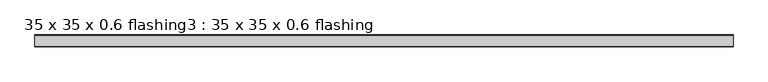
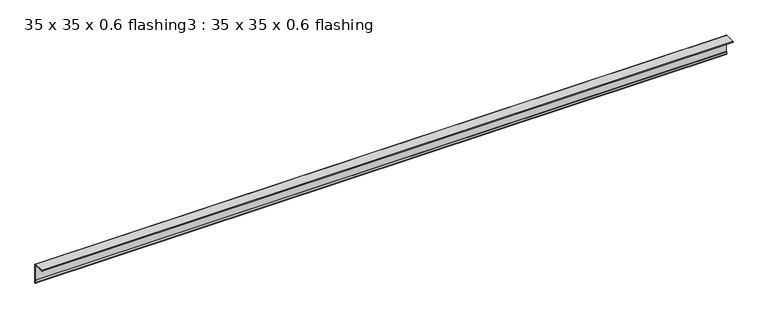
"""IFC4 building model written with IfcOpenShell, lengths in millimetres: proxy geometry, 35 x 35 x 0.6 flashing3 : 35 x 35 x 0.6 flashing."""

from ifc_helpers import new_model, si_unit, point, frame, frame_2d, origin, place, context, project, spatial, polyline, circle_curve, trimmed, segment, composite_curve, outline, extrude, source, transform, mapped, element, save


def proxy_35_x_35_x_0_6_flashing3_35_x_35_x_0_6_flashing_56d9e6fd(model_context):
    return source(origin(), model_context, "Body", "SweptSolid", [
        extrude(outline(composite_curve([segment(polyline([(919.6461443, 1503.3887038), (957.1461443, 1503.3887038)]), True, "CONTINUOUS"), segment(trimmed(circle_curve(frame_2d((957.1461443, 1500.8887038)), 2.5), [point((957.1461443, 1503.3887038))], [point((959.6461443, 1500.8887038))], False, "CARTESIAN"), True, "CONTINUOUS"), segment(polyline([(959.6461443, 1500.8887038), (959.6461443, 1434.3560264)]), True, "CONTINUOUS"), segment(trimmed(circle_curve(frame_2d((958.6461443, 1434.3560264)), 1.0), [point((959.6461443, 1434.3560264))], [point((957.6461443, 1434.3560264))], False, "CARTESIAN"), True, "CONTINUOUS"), segment(polyline([(957.6461443, 1434.3560264), (957.6461443, 1443.3887038), (958.6461443, 1443.3887038), (958.6461443, 1500.8887038)]), True, "CONTINUOUS"), segment(trimmed(circle_curve(frame_2d((957.1461443, 1500.8887038)), 1.5), [point((958.6461443, 1500.8887038))], [point((957.1461443, 1502.3887038))], True, "CARTESIAN"), True, "CONTINUOUS"), segment(polyline([(957.1461443, 1502.3887038), (928.6479284, 1502.3887038), (928.6479284, 1501.3887038), (919.6461443, 1501.3887038)]), True, "CONTINUOUS"), segment(trimmed(circle_curve(frame_2d((919.6461443, 1502.3887038)), 1.0), [point((919.6461443, 1501.3887038))], [point((919.6461443, 1503.3887038))], False, "CARTESIAN"), True, "CONTINUOUS")], self_intersect=False)), frame((-7919.6640929, 0.0, 0.0), z_axis=(1.0, 0.0, 0.0), x_axis=(0.0, 1.0, 0.0)), (0.0, 0.0, 1.0), 2410.6438934),
    ])


if __name__ == "__main__":
    model = new_model("IFC4")
    model_context = context("Model", 3, world=origin())
    ifc_project = project(units=[si_unit("LENGTHUNIT", "METRE", prefix="MILLI")], contexts=[model_context])
    site = spatial("IfcSite", under=ifc_project)
    building = spatial("IfcBuilding", under=site)
    placement = place(None, origin())
    proxy_35_x_35_x_0_6_flashing3_35_x_35_x_0_6_flashing_shape = proxy_35_x_35_x_0_6_flashing3_35_x_35_x_0_6_flashing_56d9e6fd(model_context)
    element("IfcBuildingElementProxy", 1, Name="35 x 35 x 0.6 flashing3 : 35 x 35 x 0.6 flashing", ObjectType="35 x 35 x 0.6 flashing3 : 35 x 35 x 0.6 flashing", at=placement, inside=building, context=model_context, shape_type="MappedRepresentation", body=[
        mapped(proxy_35_x_35_x_0_6_flashing3_35_x_35_x_0_6_flashing_shape, transform((0.0, 0.0, 0.0), x_axis=(1.0, 0.0, 0.0), y_axis=(0.0, 1.0, 0.0), z_axis=(0.0, 0.0, 1.0))),
    ])
    save(model, "model.ifc")
